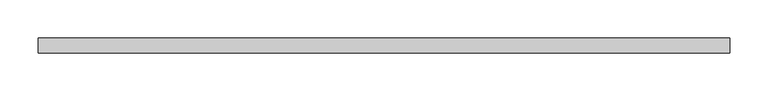
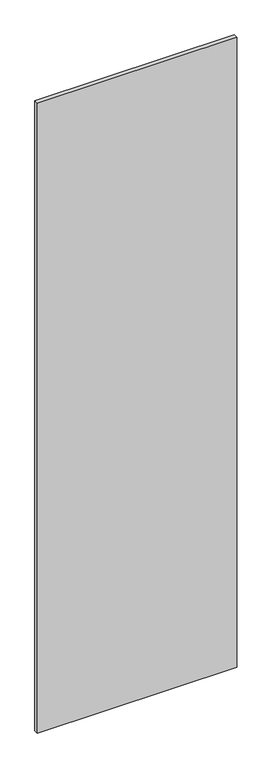
"""IFC4 building model written with IfcOpenShell, lengths in millimetres: proxy geometry."""

from ifc_helpers import new_model, si_unit, frame, origin, place, context, project, spatial, polyline, outline, extrude, source, transform, mapped, element, save


def specialty_equipment_8a33aa60(model_context):
    return source(origin(), model_context, "Body", "SweptSolid", [
        extrude(outline(polyline([(448.9704, 9.525), (448.9704, -9.525), (-448.9704, -9.525), (-448.9704, 9.525), (448.9704, 9.525)])), frame((0.0, 0.0, 3.175), z_axis=(0.0, 0.0, 1.0), x_axis=(1.0, 0.0, 0.0)), (0.0, 0.0, 1.0), 2996.3618001),
    ])


if __name__ == "__main__":
    model = new_model("IFC4")
    model_context = context("Model", 3, world=origin())
    ifc_project = project(units=[si_unit("LENGTHUNIT", "METRE", prefix="MILLI")], contexts=[model_context])
    site = spatial("IfcSite", under=ifc_project)
    building = spatial("IfcBuilding", under=site)
    placement = place(None, origin())
    specialty_equipment_shape = specialty_equipment_8a33aa60(model_context)
    element("IfcBuildingElementProxy", 1, Name="Specialty Equipment", at=placement, inside=building, context=model_context, shape_type="MappedRepresentation", body=[
        mapped(specialty_equipment_shape, transform((0.0, 0.0, 0.0), x_axis=(1.0, 0.0, 0.0), y_axis=(0.0, 1.0, 0.0), z_axis=(0.0, 0.0, 1.0))),
    ])
    save(model, "model.ifc")
